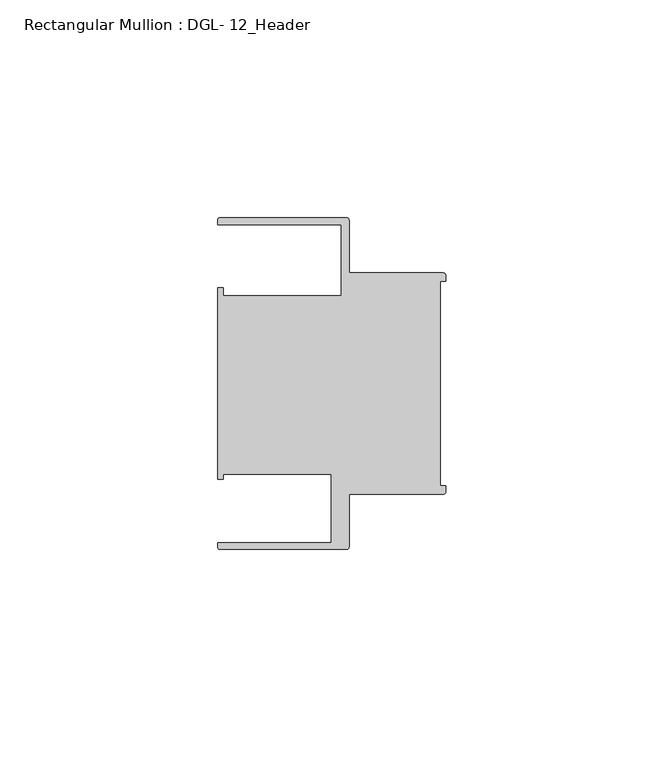
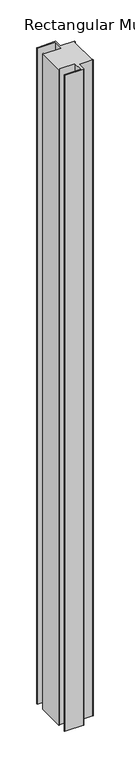
"""IFC4 building model written with IfcOpenShell, lengths in millimetres: member geometry, Rectangular Mullion : DGL- 12_Header."""

from ifc_helpers import new_model, si_unit, point, frame, frame_2d, origin, place, context, project, spatial, polyline, circle_curve, trimmed, segment, composite_curve, outline, extrude, source, transform, mapped, element, save


def rectangular_mullion_dgl_12_header_2ef1eb1d(model_context):
    return source(origin(), model_context, "Body", "SweptSolid", [
        extrude(outline(composite_curve([segment(trimmed(circle_curve(frame_2d((-0.5953125, 24.8046875)), 0.5953125), [point((-0.5953125, 25.4))], [point((0.0, 24.8046875))], False, "CARTESIAN"), True, "CONTINUOUS"), segment(polyline([(0.0, 24.8046875), (0.0, 23.4882401), (-1.30175, 23.4882401), (-1.30175, -23.4882401), (0.0, -23.4882401), (0.0, -24.8046875)]), True, "CONTINUOUS"), segment(trimmed(circle_curve(frame_2d((-0.5953125, -24.8046875)), 0.5953125), [point((0.0, -24.8046875))], [point((-0.5953125, -25.4))], False, "CARTESIAN"), True, "CONTINUOUS"), segment(polyline([(-0.5953125, -25.4), (-22.2332076, -25.4), (-22.2332076, -37.5047035)]), True, "CONTINUOUS"), segment(trimmed(circle_curve(frame_2d((-22.8285201, -37.5047035)), 0.5953125), [point((-22.2332076, -37.5047035))], [point((-22.8285201, -38.100016))], False, "CARTESIAN"), True, "CONTINUOUS"), segment(polyline([(-22.8285201, -38.100016), (-51.7968699, -38.100016)]), True, "CONTINUOUS"), segment(trimmed(circle_curve(frame_2d((-51.7968699, -37.5047035)), 0.5953125), [point((-51.7968699, -38.100016))], [point((-52.3921824, -37.5047035))], False, "CARTESIAN"), True, "CONTINUOUS"), segment(polyline([(-52.3921824, -37.5047035), (-52.3921824, -36.512516), (-26.3720794, -36.512516), (-26.3720794, -20.8257348), (-51.1280305, -20.8257348), (-51.1280305, -21.9710976), (-52.3948122, -21.9710976), (-52.3948122, 21.9710976), (-51.1280305, 21.9710976), (-51.1280305, 20.1823589), (-24.0747075, 20.1823589), (-24.0747075, 36.5123462), (-52.3921824, 36.5123462), (-52.3921824, 37.5043667)]), True, "CONTINUOUS"), segment(trimmed(circle_curve(frame_2d((-51.7968699, 37.5043667)), 0.5953125), [point((-52.3921824, 37.5043667))], [point((-51.7968699, 38.0996792))], False, "CARTESIAN"), True, "CONTINUOUS"), segment(polyline([(-51.7968699, 38.0996792), (-22.8285201, 38.0996792)]), True, "CONTINUOUS"), segment(trimmed(circle_curve(frame_2d((-22.8285201, 37.5043667)), 0.5953125), [point((-22.8285201, 38.0996792))], [point((-22.2332076, 37.5043667))], False, "CARTESIAN"), True, "CONTINUOUS"), segment(polyline([(-22.2332076, 37.5043667), (-22.2332076, 25.4), (-0.5953125, 25.4)]), True, "CONTINUOUS")], self_intersect=False)), frame((0.0, 0.0, -1092.2), z_axis=(0.0, 0.0, 1.0), x_axis=(1.0, 0.0, 0.0)), (0.0, 0.0, 1.0), 1092.2),
    ])


if __name__ == "__main__":
    model = new_model("IFC4")
    model_context = context("Model", 3, world=origin())
    ifc_project = project(units=[si_unit("LENGTHUNIT", "METRE", prefix="MILLI")], contexts=[model_context])
    site = spatial("IfcSite", under=ifc_project)
    building = spatial("IfcBuilding", under=site)
    placement = place(None, origin())
    rectangular_mullion_dgl_12_header_shape = rectangular_mullion_dgl_12_header_2ef1eb1d(model_context)
    element("IfcMember", 1, ObjectType="Rectangular Mullion : DGL- 12_Header", at=placement, inside=building, context=model_context, shape_type="MappedRepresentation", body=[
        mapped(rectangular_mullion_dgl_12_header_shape, transform((0.0, 0.0, 0.0), x_axis=(1.0, 0.0, 0.0), y_axis=(0.0, 1.0, 0.0), z_axis=(0.0, 0.0, 1.0))),
    ])
    save(model, "model.ifc")
